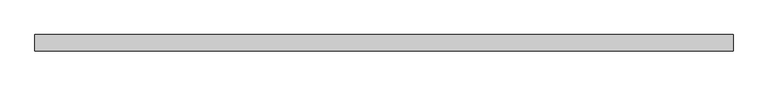
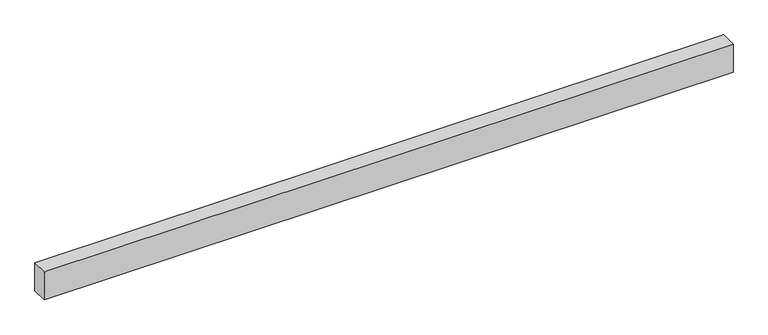
"""IFC4 building model written with IfcOpenShell, lengths in millimetres: furniture geometry."""

import ifcopenshell
import ifcopenshell.guid

model = None  # the IFC model being written
_history = None  # IfcOwnerHistory: only IFC2X3 demands one
_inside = {}  # id of a spatial element -> (the spatial element, [elements in it])
_under = {}  # id of a project, library or spatial element -> (it, [spatial elements below it])
_declared = {}  # id of a project -> (the project, [libraries it declares])
_typed = {}  # id of a type object -> (the type object, [elements of that type])
_made_of = {}  # id of a material, layer set ... -> (it, [elements and type objects made of it])


def new_model(schema):
    """Start an empty IFC model of exactly this schema.

    Asked for "IFC4X3", IfcOpenShell would pick the latest addendum, in which some entities
    have other attributes; the version numbers below select the first issue.
    IFC2X3 requires an IfcOwnerHistory on every rooted entity: one is made here for all.
    """
    global model, _history
    if schema == "IFC4X3":
        model = ifcopenshell.file(schema_version=(4, 3, 0, 0))
    else:
        model = ifcopenshell.file(schema=schema)
    _inside.clear()
    _under.clear()
    _declared.clear()
    _typed.clear()
    _made_of.clear()
    _history = None
    if model.schema == "IFC2X3":
        org = make("IfcOrganization", Name="unknown")
        user = make(
            "IfcPersonAndOrganization",
            ThePerson=make("IfcPerson", FamilyName="unknown"),
            TheOrganization=org,
        )
        app = make(
            "IfcApplication",
            ApplicationDeveloper=org,
            Version="unknown",
            ApplicationFullName="unknown",
            ApplicationIdentifier="unknown",
        )
        _history = make(
            "IfcOwnerHistory",
            OwningUser=user,
            OwningApplication=app,
            ChangeAction="ADDED",
            CreationDate=0,
        )
    return model


def make(cls, **values):
    """One entity of the class cls with the attributes given. An attribute that is None is left unset."""
    return model.create_entity(
        cls, **{name: value for name, value in values.items() if value is not None}
    )


def rooted(cls, **values):
    """An entity with a GlobalId (a new one), such as an element, a storey or a relation."""
    return make(cls, GlobalId=ifcopenshell.guid.new(), OwnerHistory=_history, **values)


def si_unit(unit_type, name, prefix=None):
    """IfcSIUnit, for example si_unit("LENGTHUNIT", "METRE", prefix="MILLI")."""
    return make("IfcSIUnit", UnitType=unit_type, Prefix=prefix, Name=name)


def assignment(units):
    """IfcUnitAssignment: the units of a project."""
    return None if units is None else make("IfcUnitAssignment", Units=units)


def point(xyz):
    """IfcCartesianPoint."""
    return None if xyz is None else make("IfcCartesianPoint", Coordinates=xyz)


def direction(xyz):
    """IfcDirection."""
    return None if xyz is None else make("IfcDirection", DirectionRatios=xyz)


def frame(location, z_axis=None, x_axis=None):
    """IfcAxis2Placement3D, a coordinate frame: its origin and axes. An axis left out is left unset."""
    return make(
        "IfcAxis2Placement3D",
        Location=point(location),
        Axis=direction(z_axis),
        RefDirection=direction(x_axis),
    )


def origin():
    """The frame at (0, 0, 0) with its axes left unset."""
    return frame((0.0, 0.0, 0.0))


def place(relative_to, where):
    """IfcLocalPlacement: puts the frame where relative to a parent placement (None: the world)."""
    return make(
        "IfcLocalPlacement", PlacementRelTo=relative_to, RelativePlacement=where
    )


def context(
    kind, dimensions, precision=None, world=None, true_north=None, identifier=None
):
    """IfcGeometricRepresentationContext, for example the 3D "Model" context."""
    return make(
        "IfcGeometricRepresentationContext",
        ContextIdentifier=identifier,
        ContextType=kind,
        CoordinateSpaceDimension=dimensions,
        Precision=precision,
        WorldCoordinateSystem=world,
        TrueNorth=true_north,
    )


def project(units=None, contexts=None):
    """IfcProject with its units and contexts."""
    return rooted(
        "IfcProject",
        Name="project",
        RepresentationContexts=contexts,
        UnitsInContext=assignment(units),
    )


def spatial(cls, under=None, at=None, **own):
    """A site, building, storey or space (cls), placed at a placement, below another one or the project."""
    s = rooted(cls, ObjectPlacement=at, **own)
    if under is not None:
        _under.setdefault(under.id(), (under, []))[1].append(s)
    return s


def point_list(points):
    """IfcCartesianPointList2D or 3D."""
    cls = (
        "IfcCartesianPointList2D" if len(points[0]) == 2 else "IfcCartesianPointList3D"
    )
    return make(cls, CoordList=points)


def triangles(points, corners, closed=None, point_numbers=None):
    """IfcTriangulatedFaceSet: each triangle names its three corners, points numbered from 1."""
    return make(
        "IfcTriangulatedFaceSet",
        Coordinates=point_list(points),
        Closed=closed,
        CoordIndex=corners,
        PnIndex=point_numbers,
    )


def shape(context_of_items, identifier, shape_type, items):
    """IfcShapeRepresentation: the items that make up one representation, for example the "Body"."""
    return make(
        "IfcShapeRepresentation",
        ContextOfItems=context_of_items,
        RepresentationIdentifier=identifier,
        RepresentationType=shape_type,
        Items=items,
    )


def source(mapping_origin, context_of_items, identifier, shape_type, items):
    """IfcRepresentationMap: a shape defined once, which mapped items show again and again."""
    return make(
        "IfcRepresentationMap",
        MappingOrigin=mapping_origin,
        MappedRepresentation=shape(context_of_items, identifier, shape_type, items),
    )


def transform(
    local_origin,
    x_axis=None,
    y_axis=None,
    z_axis=None,
    scale=None,
    scale2=None,
    scale3=None,
    uniform=True,
):
    """IfcCartesianTransformationOperator3D, or its non-uniform kind. x_axis, y_axis, z_axis: its Axis1, 2, 3."""
    if uniform:
        return make(
            "IfcCartesianTransformationOperator3D",
            Axis1=direction(x_axis),
            Axis2=direction(y_axis),
            LocalOrigin=point(local_origin),
            Scale=scale,
            Axis3=direction(z_axis),
        )
    return make(
        "IfcCartesianTransformationOperator3DnonUniform",
        Axis1=direction(x_axis),
        Axis2=direction(y_axis),
        LocalOrigin=point(local_origin),
        Scale=scale,
        Axis3=direction(z_axis),
        Scale2=scale2,
        Scale3=scale3,
    )


def mapped(mapping_source, mapping_target):
    """IfcMappedItem: shows the shape of a source again, moved by a transform."""
    return make(
        "IfcMappedItem", MappingSource=mapping_source, MappingTarget=mapping_target
    )


def made_of(thing, what):
    """Note that an element or type object is made of a material, layer set ...; save() writes the relation."""
    if what is not None:
        _made_of.setdefault(what.id(), (what, []))[1].append(thing)
    return thing


def element(
    cls,
    number,
    at=None,
    inside=None,
    cuts=None,
    type_object=None,
    material=None,
    context=None,
    identifier="Body",
    shape_type=None,
    held_by="IfcProductDefinitionShape",
    body=None,
    shapes=None,
    **own,
):
    """One element of the class cls, such as IfcWall. Its Tag is "e" and its number.

    at: its placement. inside: the storey or other place that contains it. cuts: it is an
    opening in that element (IfcRelVoidsElement). A single representation is given by context,
    identifier, shape_type and body (its items); several are given by shapes. held_by: the class
    of the entity that holds the representations. save() writes the other relations.
    """
    e = rooted(cls, Tag="e%d" % number, ObjectPlacement=at, **own)
    if body is not None:
        shapes = [shape(context, identifier, shape_type, body)]
    if shapes is not None:
        e.Representation = make(held_by, Representations=shapes)
    if inside is not None:
        _inside.setdefault(inside.id(), (inside, []))[1].append(e)
    if cuts is not None:
        rooted(
            "IfcRelVoidsElement", RelatingBuildingElement=cuts, RelatedOpeningElement=e
        )
    if type_object is not None:
        _typed.setdefault(type_object.id(), (type_object, []))[1].append(e)
    return made_of(e, material)


def aggregate(whole, parts):
    """IfcRelAggregates: a whole, such as a stair, and the parts it consists of."""
    return rooted("IfcRelAggregates", RelatingObject=whole, RelatedObjects=parts)


def save(model, path):
    """Write the relations noted so far, then the file.

    IfcRelAggregates (storeys below a building ...), IfcRelContainedInSpatialStructure (elements
    in a storey), IfcRelDefinesByType, IfcRelAssociatesMaterial and IfcRelDeclares: one each for
    every whole, place, type object, material and project.
    """
    for whole, parts in _under.values():
        aggregate(whole, parts)
    for where, things in _inside.values():
        rooted(
            "IfcRelContainedInSpatialStructure",
            RelatedElements=things,
            RelatingStructure=where,
        )
    for kind, things in _typed.values():
        rooted("IfcRelDefinesByType", RelatedObjects=things, RelatingType=kind)
    for what, things in _made_of.values():
        rooted("IfcRelAssociatesMaterial", RelatedObjects=things, RelatingMaterial=what)
    for by, libraries in _declared.values():
        rooted("IfcRelDeclares", RelatingContext=by, RelatedDefinitions=libraries)
    model.write(path)


def furniture_15c06e1f(model_context):
    return source(origin(), model_context, "Body", "Tessellation", [
        triangles([(-11.1759996, -25.4000008, 2285.8729729), (-11.1759996, 25.4000008, 2285.8729729), (-11.1759996, 25.4000008, 2193.1629341), (-11.1759996, -25.4000008, 2193.1629341), (2144.7759167, -25.4000008, 2285.8729729), (2144.7759167, 25.4000008, 2285.8729729), (2144.7759167, -25.4000008, 2193.1629341), (2144.7759167, 25.4000008, 2193.1629341)], [[1, 2, 3], [1, 3, 4], [1, 5, 6], [1, 6, 2], [7, 8, 6], [7, 6, 5], [4, 3, 8], [4, 8, 7], [2, 6, 8], [2, 8, 3], [7, 5, 1], [7, 1, 4]]),
    ])


if __name__ == "__main__":
    model = new_model("IFC4")
    model_context = context("Model", 3, world=origin())
    ifc_project = project(units=[si_unit("LENGTHUNIT", "METRE", prefix="MILLI")], contexts=[model_context])
    site = spatial("IfcSite", under=ifc_project)
    building = spatial("IfcBuilding", under=site)
    placement = place(None, origin())
    furniture_shape = furniture_15c06e1f(model_context)
    element("IfcFurniture", 1, at=placement, inside=building, context=model_context, shape_type="MappedRepresentation", body=[
        mapped(furniture_shape, transform((0.0, 0.0, 0.0), x_axis=(1.0, 0.0, 0.0), y_axis=(0.0, 1.0, 0.0), z_axis=(0.0, 0.0, 1.0))),
    ])
    save(model, "model.ifc")
